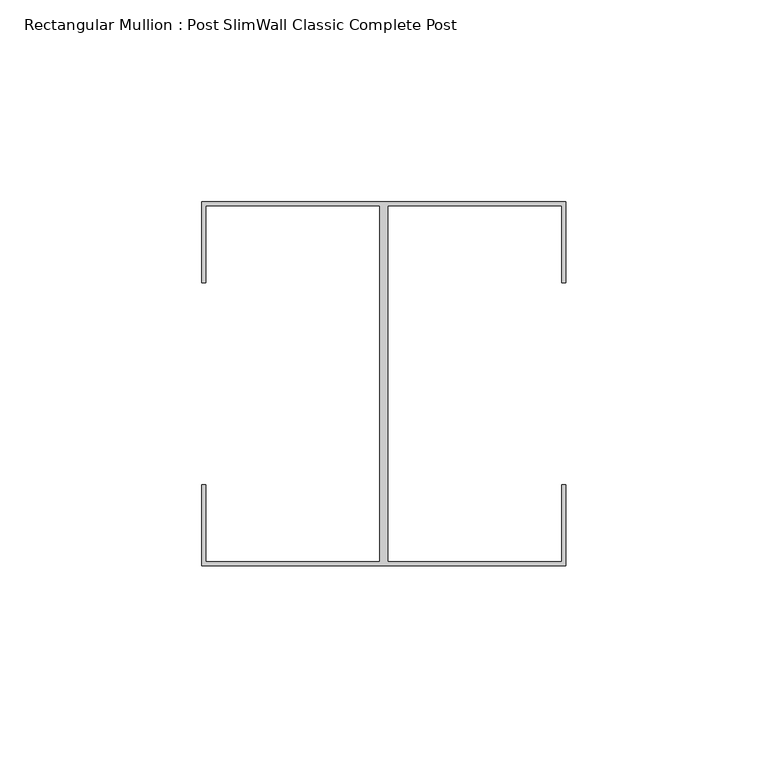
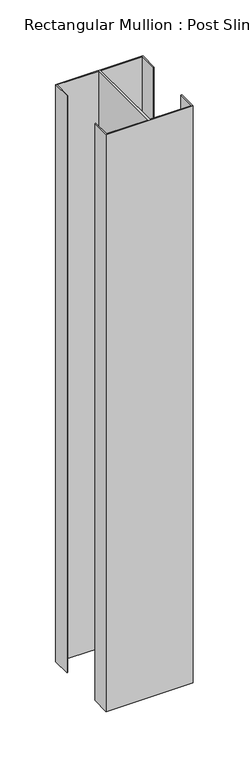
"""IFC4 building model written with IfcOpenShell, lengths in millimetres: member geometry, Rectangular Mullion : Post SlimWall Classic Complete Post."""

from ifc_helpers import new_model, si_unit, frame, origin, place, context, project, spatial, polyline, outline, extrude, source, transform, mapped, element, save


def rectangular_mullion_post_slimwall_classic_complete_post_61161ba8(model_context):
    return source(origin(), model_context, "Body", "SweptSolid", [
        extrude(outline(polyline([(44.05, 44.05), (1.0, 44.05), (1.0, -44.05), (44.05, -44.05), (44.05, -25.0), (45.0, -25.0), (45.0, -45.0), (-45.0, -45.0), (-45.0, -25.0), (-44.05, -25.0), (-44.05, -44.05), (-1.0, -44.05), (-1.0, 44.05), (-44.05, 44.05), (-44.05, 25.0), (-45.0, 25.0), (-45.0, 45.0), (45.0, 45.0), (45.0, 25.0), (44.05, 25.0), (44.05, 44.05)])), frame((0.0, 0.0, -630.45), z_axis=(0.0, 0.0, 1.0), x_axis=(1.0, 0.0, 0.0)), (0.0, 0.0, 1.0), 630.45),
    ])


if __name__ == "__main__":
    model = new_model("IFC4")
    model_context = context("Model", 3, world=origin())
    ifc_project = project(units=[si_unit("LENGTHUNIT", "METRE", prefix="MILLI")], contexts=[model_context])
    site = spatial("IfcSite", under=ifc_project)
    building = spatial("IfcBuilding", under=site)
    placement = place(None, origin())
    rectangular_mullion_post_slimwall_classic_complete_post_shape = rectangular_mullion_post_slimwall_classic_complete_post_61161ba8(model_context)
    element("IfcMember", 1, ObjectType="Rectangular Mullion : Post SlimWall Classic Complete Post", at=placement, inside=building, context=model_context, shape_type="MappedRepresentation", body=[
        mapped(rectangular_mullion_post_slimwall_classic_complete_post_shape, transform((0.0, 0.0, 0.0), x_axis=(1.0, 0.0, 0.0), y_axis=(0.0, 1.0, 0.0), z_axis=(0.0, 0.0, 1.0))),
    ])
    save(model, "model.ifc")
